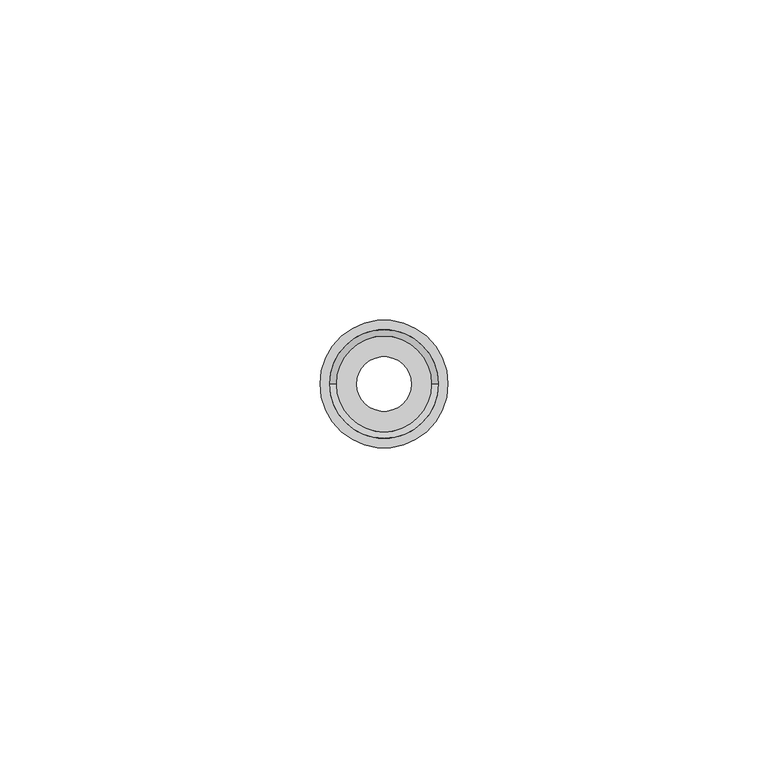
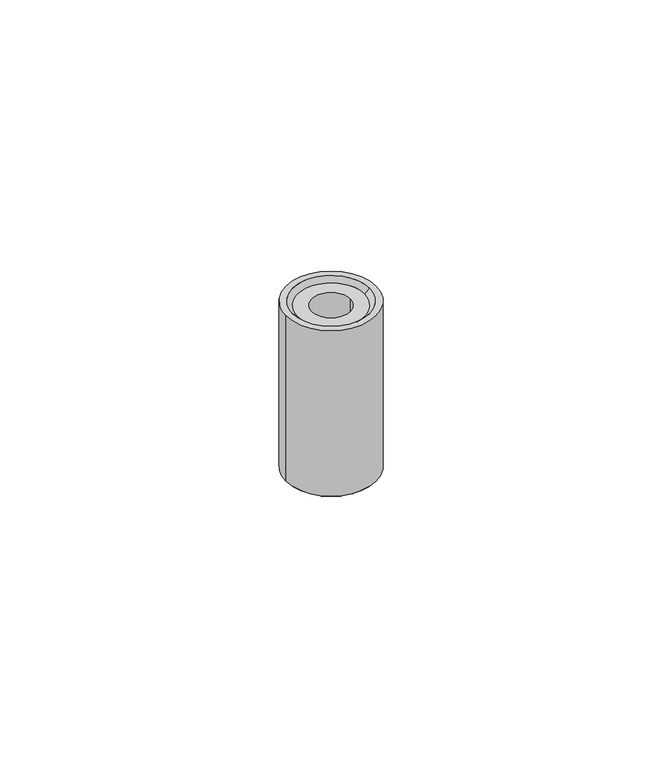
"""IFC4 building model written with IfcOpenShell, lengths in millimetres: proxy geometry."""

from ifc_helpers import new_model, si_unit, frame, origin, origin_with_axes, place, context, project, spatial, polyline, circle_curve, source, transform, mapped, element, save
from ifc_brep_helpers import plane_surface, cylinder_surface, revolved_surface, advanced_brep


def generic_models_2a842feb(model_context):
    return source(origin(), model_context, "Body", "AdvancedBrep", [
        advanced_brep(
        [(4.25, 0.0, -14.0), (4.25, 0.0, -1.0), (-4.25, 0.0, -1.0), (-4.25, 0.0, -14.0), (10.0, 0.0, -38.8), (10.0, 0.0, 0.0), (-10.0, 0.0, 0.0), (-10.0, 0.0, -38.8), (-9.8, 0.0, -39.0), (9.8, 0.0, -39.0), (-8.0, 0.0, -14.0), (-8.0, 0.0, -38.8), (8.0, 0.0, -38.8), (8.0, 0.0, -14.0), (8.2, 0.0, -39.0), (-8.2, 0.0, -39.0), (-7.5, 0.0, -1.0), (-8.5, 0.0, 0.0), (8.5, 0.0, 0.0), (7.5, 0.0, -1.0)],
        [
            (0, 1),
            (1, 2, circle_curve(frame((0.0, 0.0, -1.0), z_axis=(0.0, 0.0, 1.0), x_axis=(1.0, 0.0, 0.0)), 4.25)),
            (2, 3),
            (3, 0, circle_curve(frame((0.0, 0.0, -14.0), z_axis=(0.0, 0.0, -1.0), x_axis=(1.0, 0.0, 0.0)), 4.25)),
            (4, 5),
            (5, 6, circle_curve(frame((0.0, 0.0, 0.0), z_axis=(0.0, 0.0, -1.0), x_axis=(1.0, 0.0, 0.0)), 10.0)),
            (6, 7),
            (7, 4, circle_curve(frame((0.0, 0.0, -38.8), z_axis=(0.0, 0.0, 1.0), x_axis=(1.0, 0.0, 0.0)), 10.0)),
            (8, 7),
            (7, 4, circle_curve(frame((0.0, 0.0, -38.8), z_axis=(0.0, 0.0, -1.0), x_axis=(1.0, 0.0, 0.0)), 10.0)),
            (4, 9),
            (9, 8, circle_curve(frame((0.0, 0.0, -39.0), z_axis=(0.0, 0.0, 1.0), x_axis=(1.0, 0.0, 0.0)), 9.8)),
            (10, 11),
            (11, 12, circle_curve(frame((0.0, 0.0, -38.8), z_axis=(0.0, 0.0, -1.0), x_axis=(-1.0, 0.0, 0.0)), 8.0)),
            (12, 13),
            (13, 10, circle_curve(frame((0.0, 0.0, -14.0), z_axis=(0.0, 0.0, 1.0), x_axis=(-1.0, 0.0, 0.0)), 8.0)),
            (12, 14),
            (14, 15, circle_curve(frame((0.0, 0.0, -39.0), z_axis=(0.0, 0.0, -1.0), x_axis=(1.0, 0.0, 0.0)), 8.2)),
            (15, 11),
            (11, 12, circle_curve(frame((0.0, 0.0, -38.8), z_axis=(0.0, 0.0, 1.0), x_axis=(1.0, 0.0, 0.0)), 8.0)),
            (16, 17),
            (17, 18, circle_curve(frame((0.0, 0.0, 0.0), z_axis=(0.0, 0.0, 1.0), x_axis=(-1.0, 0.0, 0.0)), 8.5)),
            (18, 19),
            (19, 16, circle_curve(frame((0.0, 0.0, -1.0), z_axis=(0.0, 0.0, -1.0), x_axis=(-1.0, 0.0, 0.0)), 7.5)),
            (16, 19, circle_curve(frame((0.0, 0.0, -1.0), z_axis=(0.0, 0.0, -1.0), x_axis=(1.0, 0.0, 0.0)), 7.5)),
            (18, 17, circle_curve(origin_with_axes(), 8.5)),
            (5, 6, circle_curve(origin_with_axes(), 10.0)),
            (1, 2, circle_curve(frame((0.0, 0.0, -1.0), z_axis=(0.0, 0.0, -1.0), x_axis=(1.0, 0.0, 0.0)), 4.25)),
            (15, 14, circle_curve(frame((0.0, 0.0, -39.0), z_axis=(0.0, 0.0, -1.0), x_axis=(-1.0, 0.0, 0.0)), 8.2)),
            (9, 8, circle_curve(frame((0.0, 0.0, -39.0), z_axis=(0.0, 0.0, -1.0), x_axis=(-1.0, 0.0, 0.0)), 9.8)),
            (10, 13, circle_curve(frame((0.0, 0.0, -14.0), z_axis=(0.0, 0.0, 1.0), x_axis=(-1.0, 0.0, 0.0)), 8.0)),
            (3, 0, circle_curve(frame((0.0, 0.0, -14.0), z_axis=(0.0, 0.0, 1.0), x_axis=(1.0, 0.0, 0.0)), 4.25)),
        ],
        [
            revolved_surface(polyline([(4.25, 0.0, -1.0), (4.25, 0.0, -14.0)]), (0.0, 0.0, -19.5), (0.0, 0.0, 1.0)),
            cylinder_surface(frame((0.0, 0.0, -19.5), z_axis=(0.0, 0.0, 1.0), x_axis=(1.0, 0.0, 0.0)), 10.0),
            revolved_surface(polyline([(-9.799999999999997, 0.0, -39.0), (-10.0, 0.0, -38.8)]), (0.0, 0.0, -48.8), (0.0, 0.0, 1.0)),
            revolved_surface(polyline([(-8.0, 0.0, -38.8), (-8.0, 0.0, -14.0)]), (0.0, 0.0, -26.5), (0.0, 0.0, -1.0)),
            revolved_surface(polyline([(8.2, 0.0, -39.0), (7.9999999999999964, 0.0, -38.8)]), (0.0, 0.0, -30.8), (0.0, 0.0, -1.0)),
            revolved_surface(polyline([(-8.5, 0.0, 0.0), (-7.5, 0.0, -1.0)]), (0.0, 0.0, -8.5), (0.0, 0.0, 1.0)),
            plane_surface(frame((7.125, 0.0, 0.0), z_axis=(0.0, 0.0, 1.0), x_axis=(1.0, 0.0, 0.0))),
            plane_surface(frame((0.0, 0.0, -1.0), z_axis=(0.0, 0.0, 1.0), x_axis=(1.0, 0.0, 0.0))),
            plane_surface(frame((7.125, 0.0, -39.0), z_axis=(0.0, 0.0, -1.0), x_axis=(-1.0, 0.0, 0.0))),
            plane_surface(frame((0.0, 0.0, -14.0), z_axis=(0.0, 0.0, -1.0), x_axis=(-1.0, 0.0, 0.0))),
        ],
        [
            (0, [[1, 2, 3, 4]]),
            (1, [[5, 6, 7, 8]]),
            (2, [[9, 10, 11, 12]]),
            (3, [[13, 14, 15, 16]]),
            (4, [[17, 18, 19, 20]]),
            (5, [[21, 22, 23, 24]]),
            (5, [[-21, 25, -23, 26]]),
            (6, [[27, -6], [-26, -22]]),
            (7, [[-25, -24], [28, -2]]),
            (4, [[-17, -14, -19, 29]]),
            (8, [[-12, 30], [-29, -18]]),
            (3, [[-13, 31, -15, -20]]),
            (2, [[-9, -30, -11, -8]]),
            (1, [[-5, -10, -7, -27]]),
            (9, [[-16, -31], [-4, 32]]),
            (0, [[-1, -32, -3, -28]]),
        ],
    ),
    ])


if __name__ == "__main__":
    model = new_model("IFC4")
    model_context = context("Model", 3, world=origin())
    ifc_project = project(units=[si_unit("LENGTHUNIT", "METRE", prefix="MILLI")], contexts=[model_context])
    site = spatial("IfcSite", under=ifc_project)
    building = spatial("IfcBuilding", under=site)
    placement = place(None, origin())
    generic_models_shape = generic_models_2a842feb(model_context)
    element("IfcBuildingElementProxy", 1, Name="Generic Models", at=placement, inside=building, context=model_context, shape_type="MappedRepresentation", body=[
        mapped(generic_models_shape, transform((0.0, 0.0, 0.0), x_axis=(1.0, 0.0, 0.0), y_axis=(0.0, 1.0, 0.0), z_axis=(0.0, 0.0, 1.0))),
    ])
    save(model, "model.ifc")
